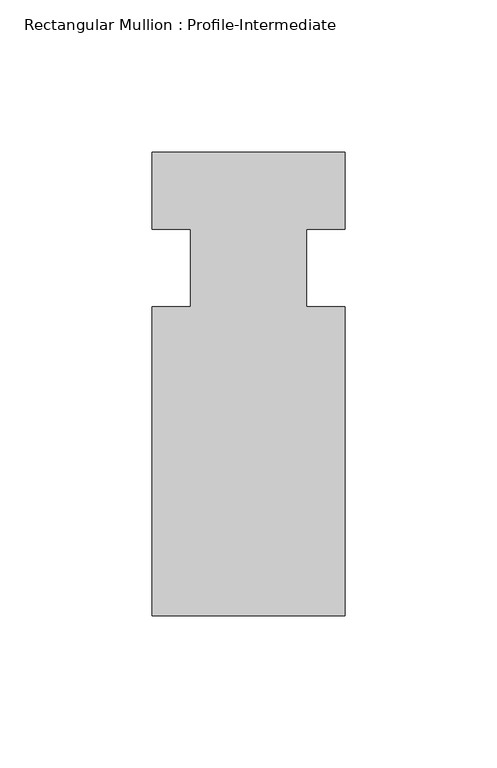
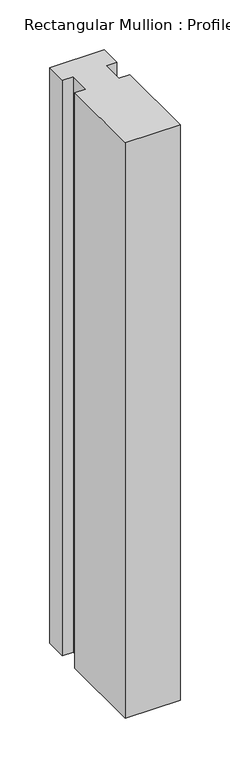
"""IFC4 building model written with IfcOpenShell, lengths in millimetres: member geometry, Rectangular Mullion : Profile-Intermediate."""

from ifc_helpers import new_model, si_unit, frame, origin, place, context, project, spatial, polyline, outline, extrude, source, transform, mapped, element, save


def rectangular_mullion_profile_intermediate_87a8fc66(model_context):
    return source(origin(), model_context, "Body", "SweptSolid", [
        extrude(outline(polyline([(-63.5, 38.1), (0.0, 38.1), (0.0, 12.7), (-12.7, 12.7), (-12.7, -12.7), (0.0, -12.7), (0.0, -114.3), (-63.5, -114.3), (-63.5, -12.7), (-50.8, -12.7), (-50.8, 12.7), (-63.5, 12.7), (-63.5, 38.1)])), frame((0.0, 0.0, -706.8411384), z_axis=(0.0, 0.0, 1.0), x_axis=(1.0, 0.0, 0.0)), (0.0, 0.0, 1.0), 706.8411384),
    ])


if __name__ == "__main__":
    model = new_model("IFC4")
    model_context = context("Model", 3, world=origin())
    ifc_project = project(units=[si_unit("LENGTHUNIT", "METRE", prefix="MILLI")], contexts=[model_context])
    site = spatial("IfcSite", under=ifc_project)
    building = spatial("IfcBuilding", under=site)
    placement = place(None, origin())
    rectangular_mullion_profile_intermediate_shape = rectangular_mullion_profile_intermediate_87a8fc66(model_context)
    element("IfcMember", 1, ObjectType="Rectangular Mullion : Profile-Intermediate", at=placement, inside=building, context=model_context, shape_type="MappedRepresentation", body=[
        mapped(rectangular_mullion_profile_intermediate_shape, transform((0.0, 0.0, 0.0), x_axis=(1.0, 0.0, 0.0), y_axis=(0.0, 1.0, 0.0), z_axis=(0.0, 0.0, 1.0))),
    ])
    save(model, "model.ifc")
